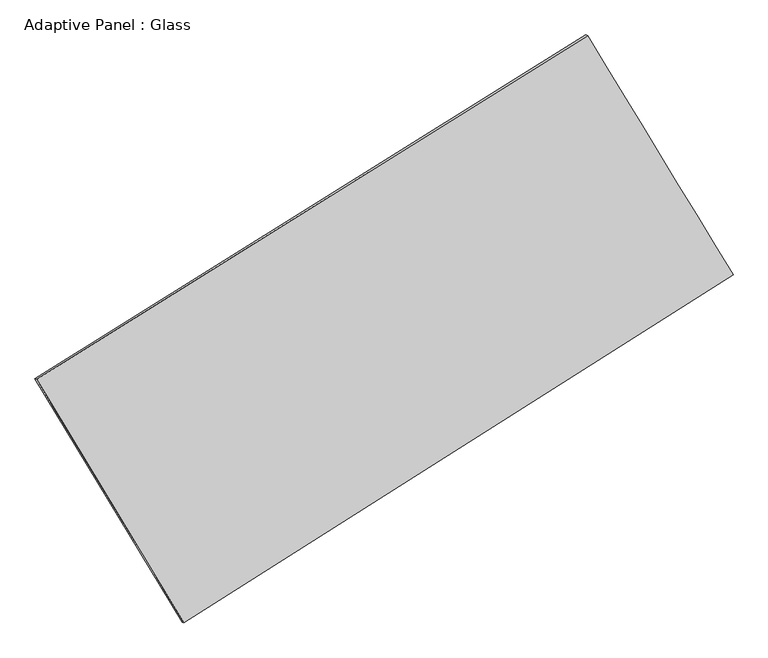
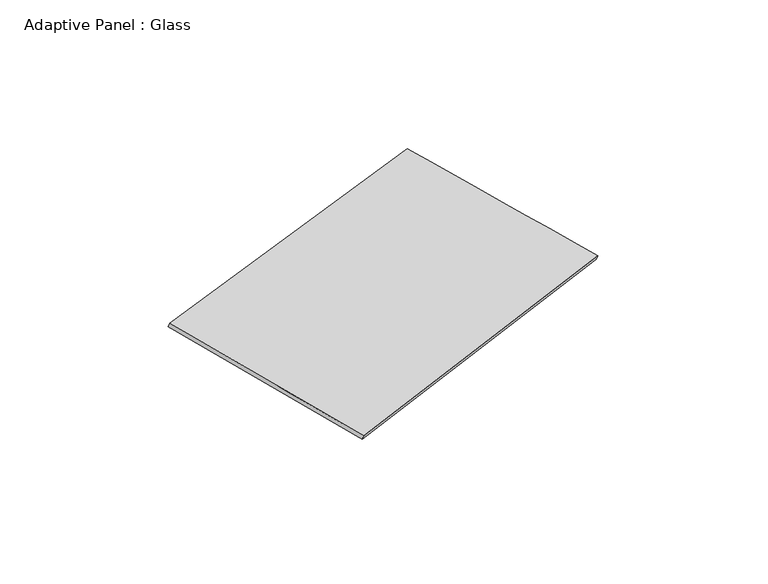
"""IFC4 building model written with IfcOpenShell, lengths in millimetres: plate geometry, Adaptive Panel : Glass."""

import ifcopenshell
import ifcopenshell.guid

model = None  # the IFC model being written
_history = None  # IfcOwnerHistory: only IFC2X3 demands one
_inside = {}  # id of a spatial element -> (the spatial element, [elements in it])
_under = {}  # id of a project, library or spatial element -> (it, [spatial elements below it])
_declared = {}  # id of a project -> (the project, [libraries it declares])
_typed = {}  # id of a type object -> (the type object, [elements of that type])
_made_of = {}  # id of a material, layer set ... -> (it, [elements and type objects made of it])


def new_model(schema):
    """Start an empty IFC model of exactly this schema.

    Asked for "IFC4X3", IfcOpenShell would pick the latest addendum, in which some entities
    have other attributes; the version numbers below select the first issue.
    IFC2X3 requires an IfcOwnerHistory on every rooted entity: one is made here for all.
    """
    global model, _history
    if schema == "IFC4X3":
        model = ifcopenshell.file(schema_version=(4, 3, 0, 0))
    else:
        model = ifcopenshell.file(schema=schema)
    _inside.clear()
    _under.clear()
    _declared.clear()
    _typed.clear()
    _made_of.clear()
    _history = None
    if model.schema == "IFC2X3":
        org = make("IfcOrganization", Name="unknown")
        user = make(
            "IfcPersonAndOrganization",
            ThePerson=make("IfcPerson", FamilyName="unknown"),
            TheOrganization=org,
        )
        app = make(
            "IfcApplication",
            ApplicationDeveloper=org,
            Version="unknown",
            ApplicationFullName="unknown",
            ApplicationIdentifier="unknown",
        )
        _history = make(
            "IfcOwnerHistory",
            OwningUser=user,
            OwningApplication=app,
            ChangeAction="ADDED",
            CreationDate=0,
        )
    return model


def make(cls, **values):
    """One entity of the class cls with the attributes given. An attribute that is None is left unset."""
    return model.create_entity(
        cls, **{name: value for name, value in values.items() if value is not None}
    )


def rooted(cls, **values):
    """An entity with a GlobalId (a new one), such as an element, a storey or a relation."""
    return make(cls, GlobalId=ifcopenshell.guid.new(), OwnerHistory=_history, **values)


def si_unit(unit_type, name, prefix=None):
    """IfcSIUnit, for example si_unit("LENGTHUNIT", "METRE", prefix="MILLI")."""
    return make("IfcSIUnit", UnitType=unit_type, Prefix=prefix, Name=name)


def assignment(units):
    """IfcUnitAssignment: the units of a project."""
    return None if units is None else make("IfcUnitAssignment", Units=units)


def point(xyz):
    """IfcCartesianPoint."""
    return None if xyz is None else make("IfcCartesianPoint", Coordinates=xyz)


def direction(xyz):
    """IfcDirection."""
    return None if xyz is None else make("IfcDirection", DirectionRatios=xyz)


def frame(location, z_axis=None, x_axis=None):
    """IfcAxis2Placement3D, a coordinate frame: its origin and axes. An axis left out is left unset."""
    return make(
        "IfcAxis2Placement3D",
        Location=point(location),
        Axis=direction(z_axis),
        RefDirection=direction(x_axis),
    )


def origin():
    """The frame at (0, 0, 0) with its axes left unset."""
    return frame((0.0, 0.0, 0.0))


def place(relative_to, where):
    """IfcLocalPlacement: puts the frame where relative to a parent placement (None: the world)."""
    return make(
        "IfcLocalPlacement", PlacementRelTo=relative_to, RelativePlacement=where
    )


def context(
    kind, dimensions, precision=None, world=None, true_north=None, identifier=None
):
    """IfcGeometricRepresentationContext, for example the 3D "Model" context."""
    return make(
        "IfcGeometricRepresentationContext",
        ContextIdentifier=identifier,
        ContextType=kind,
        CoordinateSpaceDimension=dimensions,
        Precision=precision,
        WorldCoordinateSystem=world,
        TrueNorth=true_north,
    )


def project(units=None, contexts=None):
    """IfcProject with its units and contexts."""
    return rooted(
        "IfcProject",
        Name="project",
        RepresentationContexts=contexts,
        UnitsInContext=assignment(units),
    )


def spatial(cls, under=None, at=None, **own):
    """A site, building, storey or space (cls), placed at a placement, below another one or the project."""
    s = rooted(cls, ObjectPlacement=at, **own)
    if under is not None:
        _under.setdefault(under.id(), (under, []))[1].append(s)
    return s


def shape(context_of_items, identifier, shape_type, items):
    """IfcShapeRepresentation: the items that make up one representation, for example the "Body"."""
    return make(
        "IfcShapeRepresentation",
        ContextOfItems=context_of_items,
        RepresentationIdentifier=identifier,
        RepresentationType=shape_type,
        Items=items,
    )


def source(mapping_origin, context_of_items, identifier, shape_type, items):
    """IfcRepresentationMap: a shape defined once, which mapped items show again and again."""
    return make(
        "IfcRepresentationMap",
        MappingOrigin=mapping_origin,
        MappedRepresentation=shape(context_of_items, identifier, shape_type, items),
    )


def transform(
    local_origin,
    x_axis=None,
    y_axis=None,
    z_axis=None,
    scale=None,
    scale2=None,
    scale3=None,
    uniform=True,
):
    """IfcCartesianTransformationOperator3D, or its non-uniform kind. x_axis, y_axis, z_axis: its Axis1, 2, 3."""
    if uniform:
        return make(
            "IfcCartesianTransformationOperator3D",
            Axis1=direction(x_axis),
            Axis2=direction(y_axis),
            LocalOrigin=point(local_origin),
            Scale=scale,
            Axis3=direction(z_axis),
        )
    return make(
        "IfcCartesianTransformationOperator3DnonUniform",
        Axis1=direction(x_axis),
        Axis2=direction(y_axis),
        LocalOrigin=point(local_origin),
        Scale=scale,
        Axis3=direction(z_axis),
        Scale2=scale2,
        Scale3=scale3,
    )


def mapped(mapping_source, mapping_target):
    """IfcMappedItem: shows the shape of a source again, moved by a transform."""
    return make(
        "IfcMappedItem", MappingSource=mapping_source, MappingTarget=mapping_target
    )


def made_of(thing, what):
    """Note that an element or type object is made of a material, layer set ...; save() writes the relation."""
    if what is not None:
        _made_of.setdefault(what.id(), (what, []))[1].append(thing)
    return thing


def element(
    cls,
    number,
    at=None,
    inside=None,
    cuts=None,
    type_object=None,
    material=None,
    context=None,
    identifier="Body",
    shape_type=None,
    held_by="IfcProductDefinitionShape",
    body=None,
    shapes=None,
    **own,
):
    """One element of the class cls, such as IfcWall. Its Tag is "e" and its number.

    at: its placement. inside: the storey or other place that contains it. cuts: it is an
    opening in that element (IfcRelVoidsElement). A single representation is given by context,
    identifier, shape_type and body (its items); several are given by shapes. held_by: the class
    of the entity that holds the representations. save() writes the other relations.
    """
    e = rooted(cls, Tag="e%d" % number, ObjectPlacement=at, **own)
    if body is not None:
        shapes = [shape(context, identifier, shape_type, body)]
    if shapes is not None:
        e.Representation = make(held_by, Representations=shapes)
    if inside is not None:
        _inside.setdefault(inside.id(), (inside, []))[1].append(e)
    if cuts is not None:
        rooted(
            "IfcRelVoidsElement", RelatingBuildingElement=cuts, RelatedOpeningElement=e
        )
    if type_object is not None:
        _typed.setdefault(type_object.id(), (type_object, []))[1].append(e)
    return made_of(e, material)


def aggregate(whole, parts):
    """IfcRelAggregates: a whole, such as a stair, and the parts it consists of."""
    return rooted("IfcRelAggregates", RelatingObject=whole, RelatedObjects=parts)


def save(model, path):
    """Write the relations noted so far, then the file.

    IfcRelAggregates (storeys below a building ...), IfcRelContainedInSpatialStructure (elements
    in a storey), IfcRelDefinesByType, IfcRelAssociatesMaterial and IfcRelDeclares: one each for
    every whole, place, type object, material and project.
    """
    for whole, parts in _under.values():
        aggregate(whole, parts)
    for where, things in _inside.values():
        rooted(
            "IfcRelContainedInSpatialStructure",
            RelatedElements=things,
            RelatingStructure=where,
        )
    for kind, things in _typed.values():
        rooted("IfcRelDefinesByType", RelatedObjects=things, RelatingType=kind)
    for what, things in _made_of.values():
        rooted("IfcRelAssociatesMaterial", RelatedObjects=things, RelatingMaterial=what)
    for by, libraries in _declared.values():
        rooted("IfcRelDeclares", RelatingContext=by, RelatedDefinitions=libraries)
    model.write(path)


def plane_surface(at):
    """IfcPlane: the flat surface through the origin of the frame at, square to its z axis."""
    return make("IfcPlane", Position=at)


def spline_surface(u_degree, v_degree, points, u_multiplicities, v_multiplicities, u_knots, v_knots, weights=None):
    """IfcBSplineSurfaceWithKnots; with weights, IfcRationalBSplineSurfaceWithKnots. points: one row for each step in u."""
    own = dict(
        UDegree=u_degree,
        VDegree=v_degree,
        ControlPointsList=[[point(p) for p in row] for row in points],
        SurfaceForm="UNSPECIFIED",
        UClosed=False,
        VClosed=False,
        SelfIntersect=False,
        UMultiplicities=u_multiplicities,
        VMultiplicities=v_multiplicities,
        UKnots=u_knots,
        VKnots=v_knots,
        KnotSpec="UNSPECIFIED",
    )
    if weights is None:
        return make("IfcBSplineSurfaceWithKnots", **own)
    return make("IfcRationalBSplineSurfaceWithKnots", WeightsData=weights, **own)


def advanced_brep(points, edges, surfaces, faces):
    """IfcAdvancedBrep: a solid bounded by faces that lie on surfaces and meet in shared edges.

    An edge is (start, end): straight between two places in points (the first is 0);
    or (start, end, curve); or (start, end, curve, False) where it runs against its curve.
    A face is (place in surfaces, loops), or (place, loops, False) where it looks against
    its surface's normal. A loop lists edges by number (the first is 1), with a minus sign
    where the edge is run from its end to its start. The first loop is the outer one.
    """
    corners = [point(p) for p in points]
    vertices = [make("IfcVertexPoint", VertexGeometry=c) for c in corners]
    made = []
    for start, end, *more in edges:
        made.append(
            make(
                "IfcEdgeCurve",
                EdgeStart=vertices[start],
                EdgeEnd=vertices[end],
                EdgeGeometry=more[0] if more else make("IfcPolyline", Points=[corners[start], corners[end]]),
                SameSense=more[1] if len(more) > 1 else True,
            )
        )
    hull = []
    for where, loops, *sense in faces:
        bounds = []
        for j, loop in enumerate(loops):
            ring = [make("IfcOrientedEdge", EdgeElement=made[abs(k) - 1], Orientation=k > 0) for k in loop]
            bounds.append(
                make(
                    "IfcFaceOuterBound" if j == 0 else "IfcFaceBound",
                    Bound=make("IfcEdgeLoop", EdgeList=ring),
                    Orientation=True,
                )
            )
        hull.append(make("IfcAdvancedFace", Bounds=bounds, FaceSurface=surfaces[where], SameSense=sense[0] if sense else True))
    return make("IfcAdvancedBrep", Outer=make("IfcClosedShell", CfsFaces=hull))


def adaptive_panel_glass_86869637(model_context):
    return source(origin(), model_context, "Body", "AdvancedBrep", [
        advanced_brep(
        [(1150.501357, 2505.3188841, 651.5052091), (-3756.5060702, -556.899212, 1783.9658271), (-3741.8397144, -563.2793054, 1831.3387352), (1165.1677128, 2498.9387906, 698.8781171), (-2444.3797557, -2724.5595728, 1060.3759654), (-2429.7133998, -2730.9396662, 1107.7488734), (2447.0938908, 375.8913278, -10.7244814), (2461.7602466, 369.5112343, 36.6484267)],
        [
            (0, 1),
            (1, 2),
            (2, 3),
            (3, 0),
            (1, 4),
            (4, 5),
            (5, 2),
            (4, 6),
            (6, 7),
            (7, 5),
            (6, 0),
            (3, 7),
        ],
        [
            plane_surface(frame((-1303.0023566, 974.2098361, 1217.7355181), z_axis=(-0.4677430214747019, 0.8451765056683583, 0.25863708188877377), x_axis=(-0.832553221735338, -0.5195548568736184, 0.1921402708365515))),
            plane_surface(frame((-3100.4429129, -1640.7293924, 1422.1708963), z_axis=(-0.8144468391036978, -0.5523385018146384, 0.1777597414690865), x_axis=(0.4979325323102013, -0.8225950510213075, -0.27459165191681095))),
            plane_surface(frame((1.3570675, -1174.3341225, 524.825742), z_axis=(0.47557223169679, -0.840252370969686, -0.26039778324470486), x_axis=(0.8305371483561513, 0.5264343295510271, -0.18186517498023916))),
            plane_surface(frame((1798.7976239, 1440.6051059, 320.3903639), z_axis=(0.8149203077167315, 0.5515585606859263, -0.17801136538136228), x_axis=(-0.5026397479885716, 0.8254982983007919, 0.2567213338320016))),
            spline_surface(1, 1, [[(-3741.8397144, -563.2793054, 1831.3387352), (1165.1677128, 2498.9387906, 698.8781171)], [(-2429.7133998, -2730.9396662, 1107.7488734), (2461.7602466, 369.5112343, 36.6484267)]], [2, 2], [2, 2], [0.0, 1.0], [0.0, 1.0]),
            spline_surface(1, 1, [[(2447.0938908, 375.8913278, -10.7244814), (1150.501357, 2505.3188841, 651.5052091)], [(-2444.3797557, -2724.5595728, 1060.3759654), (-3756.5060702, -556.899212, 1783.9658271)]], [2, 2], [2, 2], [0.0, 1.0], [0.0, 1.0]),
        ],
        [
            (0, [[1, 2, 3, 4]]),
            (1, [[5, 6, 7, -2]]),
            (2, [[8, 9, 10, -6]]),
            (3, [[11, -4, 12, -9]]),
            (4, [[-3, -7, -10, -12]]),
            (5, [[-11, -8, -5, -1]]),
        ],
    ),
    ])


if __name__ == "__main__":
    model = new_model("IFC4")
    model_context = context("Model", 3, world=origin())
    ifc_project = project(units=[si_unit("LENGTHUNIT", "METRE", prefix="MILLI")], contexts=[model_context])
    site = spatial("IfcSite", under=ifc_project)
    building = spatial("IfcBuilding", under=site)
    placement = place(None, origin())
    adaptive_panel_glass_shape = adaptive_panel_glass_86869637(model_context)
    element("IfcPlate", 1, ObjectType="Adaptive Panel : Glass", at=placement, inside=building, context=model_context, shape_type="MappedRepresentation", body=[
        mapped(adaptive_panel_glass_shape, transform((0.0, 0.0, 0.0), x_axis=(1.0, 0.0, 0.0), y_axis=(0.0, 1.0, 0.0), z_axis=(0.0, 0.0, 1.0))),
    ])
    save(model, "model.ifc")
